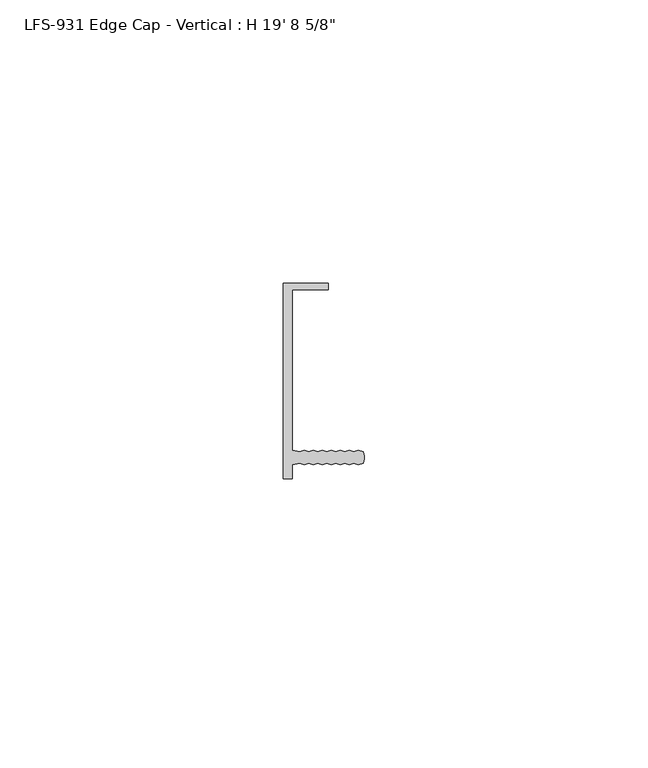
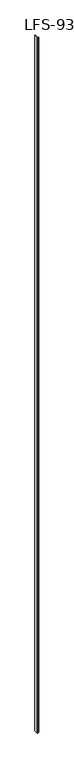
"""IFC4 building model written with IfcOpenShell, lengths in millimetres: proxy geometry."""

from ifc_helpers import new_model, si_unit, point, frame_2d, origin, origin_with_axes, place, context, project, spatial, polyline, circle_curve, trimmed, segment, composite_curve, outline, extrude, source, transform, mapped, element, save


def proxy_7f6f21d3(model_context):
    return source(origin(), model_context, "Body", "SweptSolid", [
        extrude(outline(composite_curve([segment(polyline([(6.9755505, -14.5053844), (6.1594734, -14.7594051), (5.3777354, -14.5054249), (4.5616583, -14.7594456), (3.7799202, -14.5054654), (2.9638431, -14.7594861), (2.1821051, -14.5055059), (1.366028, -14.7595266), (0.5842899, -14.5055464), (-0.2317872, -14.759567), (-1.0135252, -14.5055869), (-1.8296023, -14.7596075), (-2.6113404, -14.5056273), (-3.4274175, -14.759648), (-4.2091555, -14.5056678), (-5.470443, -14.7596998), (-5.470381, -17.2096037), (-7.057881, -17.2096439), (-7.0587531, 17.2124361), (0.8787469, 17.2126372), (0.8787744, 16.1280572), (-5.4712256, 16.1278963), (-5.4705074, -12.2196998), (-4.209207, -12.4736678), (-3.4274818, -12.219648), (-2.6113918, -12.4736273), (-1.8296667, -12.2196075), (-1.0135767, -12.4735869), (-0.2318515, -12.219567), (0.5842384, -12.4735464), (1.3659636, -12.2195266), (2.1820536, -12.4735059), (2.9637788, -12.2194861), (3.7798687, -12.4734654), (4.5615939, -12.2194456), (5.3776839, -12.4734249), (6.1594091, -12.2194051), (6.975499, -12.4733844)]), True, "CONTINUOUS"), segment(trimmed(circle_curve(frame_2d((5.0970263, -13.489432)), 2.1356527), [point((6.975499, -12.4733844))], [point((6.9755505, -14.5053844))], False, "CARTESIAN"), True, "CONTINUOUS")], self_intersect=False)), origin_with_axes(), (0.0, 0.0, 1.0), 6010.275),
    ])


if __name__ == "__main__":
    model = new_model("IFC4")
    model_context = context("Model", 3, world=origin())
    ifc_project = project(units=[si_unit("LENGTHUNIT", "METRE", prefix="MILLI")], contexts=[model_context])
    site = spatial("IfcSite", under=ifc_project)
    building = spatial("IfcBuilding", under=site)
    placement = place(None, origin())
    proxy_shape = proxy_7f6f21d3(model_context)
    element("IfcBuildingElementProxy", 1, Name="LFS-931 Edge Cap - Vertical : H 19' 8 5/8\"", ObjectType="LFS-931 Edge Cap - Vertical : H 19' 8 5/8\"", at=placement, inside=building, context=model_context, shape_type="MappedRepresentation", body=[
        mapped(proxy_shape, transform((0.0, 0.0, 0.0), x_axis=(1.0, 0.0, 0.0), y_axis=(0.0, 1.0, 0.0), z_axis=(0.0, 0.0, 1.0))),
    ])
    save(model, "model.ifc")
